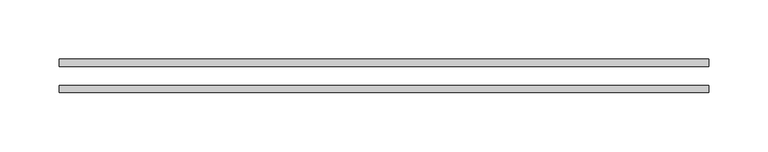
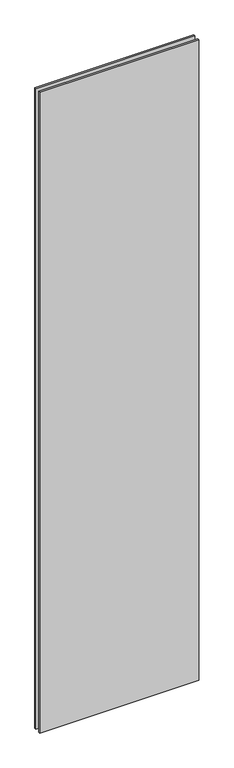
"""IFC4 building model written with IfcOpenShell, lengths in millimetres: plate geometry."""

from ifc_helpers import new_model, si_unit, origin, origin_with_axes, place, context, project, spatial, polyline, outline, extrude, source, transform, mapped, element, save


def plate_8591c9ec(model_context):
    return source(origin(), model_context, "Body", "SweptSolid", [
        extrude(outline(polyline([(-273.3498477, 14.0), (273.3498477, 14.0), (273.3498477, 8.0), (-273.3498477, 8.0), (-273.3498477, 14.0)])), origin_with_axes(), (0.0, 0.0, 1.0), 2328.9085582),
        extrude(outline(polyline([(-273.3498477, -8.0), (273.3498477, -8.0), (273.3498477, -14.0), (-273.3498477, -14.0), (-273.3498477, -8.0)])), origin_with_axes(), (0.0, 0.0, 1.0), 2328.9085582),
    ])


if __name__ == "__main__":
    model = new_model("IFC4")
    model_context = context("Model", 3, world=origin())
    ifc_project = project(units=[si_unit("LENGTHUNIT", "METRE", prefix="MILLI")], contexts=[model_context])
    site = spatial("IfcSite", under=ifc_project)
    building = spatial("IfcBuilding", under=site)
    placement = place(None, origin())
    plate_shape = plate_8591c9ec(model_context)
    element("IfcPlate", 1, at=placement, inside=building, context=model_context, shape_type="MappedRepresentation", body=[
        mapped(plate_shape, transform((0.0, 0.0, 0.0), x_axis=(1.0, 0.0, 0.0), y_axis=(0.0, 1.0, 0.0), z_axis=(0.0, 0.0, 1.0))),
    ])
    save(model, "model.ifc")
